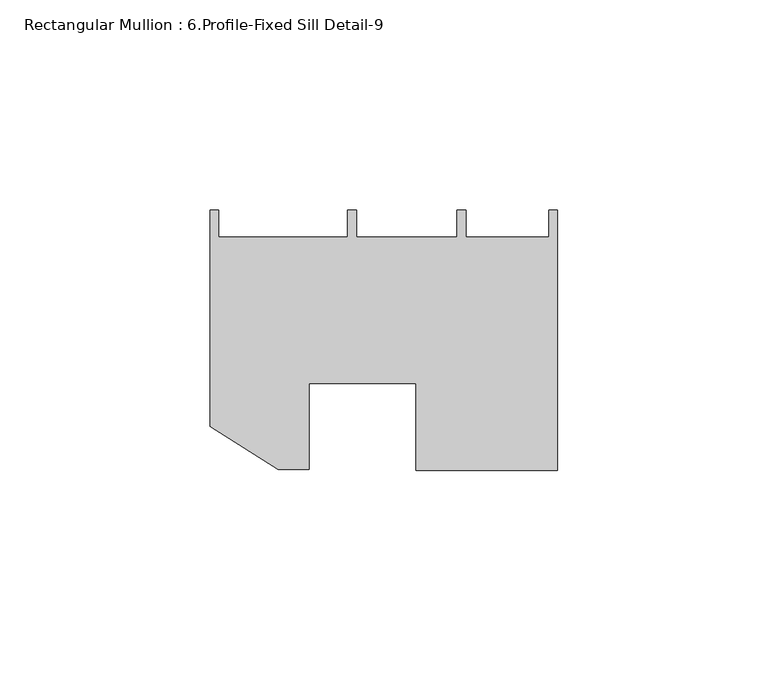
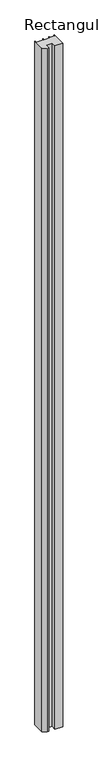
"""IFC4 building model written with IfcOpenShell, lengths in millimetres: member geometry, Rectangular Mullion : 6.Profile-Fixed Sill Detail-9."""

from ifc_helpers import new_model, si_unit, frame, origin, place, context, project, spatial, polyline, outline, extrude, source, transform, mapped, element, save


def rectangular_mullion_6_profile_fixed_sill_detail_9_8ce2e837(model_context):
    return source(origin(), model_context, "Body", "SweptSolid", [
        extrude(outline(polyline([(0.0, -31.0191697), (-33.6061568, -31.0191697), (-33.6061568, -10.38163), (-59.0432508, -10.38163), (-59.0432508, -30.7787398), (-66.3838292, -30.7787398), (-82.5617127, -20.5956915), (-82.5617127, 30.8935431), (-80.5297127, 30.8935431), (-80.5297127, 24.5435431), (-49.849548, 24.5435431), (-49.849548, 30.8935431), (-47.8164173, 30.8935431), (-47.8164173, 24.4840882), (-23.8145402, 24.4840882), (-23.8145402, 30.8935431), (-21.7825402, 30.8935431), (-21.7825402, 24.54337), (-2.0320082, 24.54337), (-2.0320082, 30.89337), (0.0, 30.89337), (0.0, -31.0191697)])), frame((0.0, 0.0, -3048.0), z_axis=(0.0, 0.0, 1.0), x_axis=(1.0, 0.0, 0.0)), (0.0, 0.0, 1.0), 3048.0),
    ])


if __name__ == "__main__":
    model = new_model("IFC4")
    model_context = context("Model", 3, world=origin())
    ifc_project = project(units=[si_unit("LENGTHUNIT", "METRE", prefix="MILLI")], contexts=[model_context])
    site = spatial("IfcSite", under=ifc_project)
    building = spatial("IfcBuilding", under=site)
    placement = place(None, origin())
    rectangular_mullion_6_profile_fixed_sill_detail_9_shape = rectangular_mullion_6_profile_fixed_sill_detail_9_8ce2e837(model_context)
    element("IfcMember", 1, ObjectType="Rectangular Mullion : 6.Profile-Fixed Sill Detail-9", at=placement, inside=building, context=model_context, shape_type="MappedRepresentation", body=[
        mapped(rectangular_mullion_6_profile_fixed_sill_detail_9_shape, transform((0.0, 0.0, 0.0), x_axis=(1.0, 0.0, 0.0), y_axis=(0.0, 1.0, 0.0), z_axis=(0.0, 0.0, 1.0))),
    ])
    save(model, "model.ifc")
